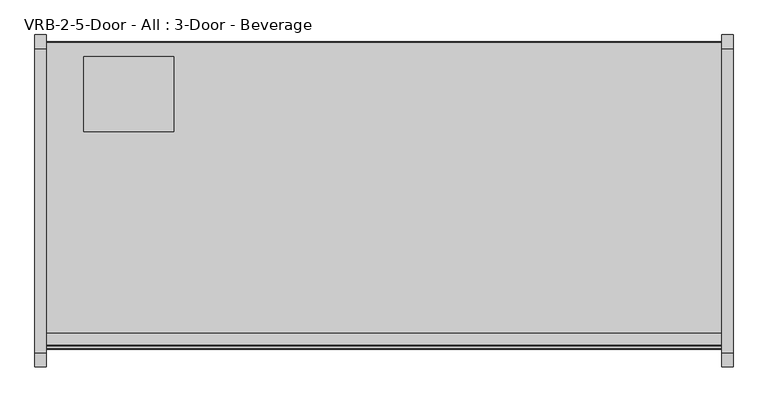
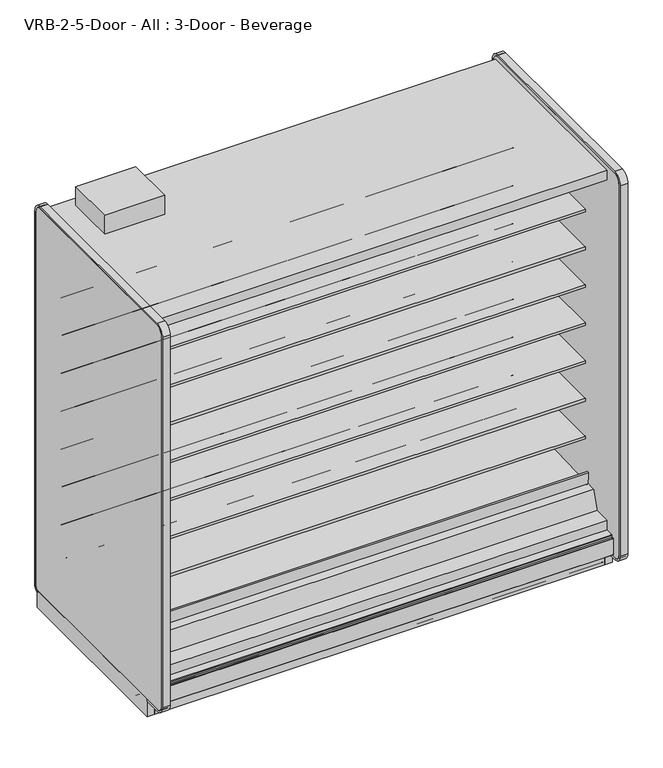
"""IFC4 building model written with IfcOpenShell, lengths in millimetres: proxy geometry, VRB-2-5-Door - All : 3-Door - Beverage."""

from ifc_helpers import new_model, si_unit, point, frame, frame_2d, origin, origin_with_axes, place, context, project, spatial, polyline, circle_curve, trimmed, segment, composite_curve, outline, extrude, source, transform, mapped, element, save
from ifc_brep_helpers import plane_surface, cylinder_surface, revolved_surface, advanced_brep


def vrb_2_5_door_all_3_door_beverage_5a8f1939(model_context):
    return source(origin(), model_context, "Body", "SolidModel", [
        extrude(outline(polyline([(2286.0, -1294.7870385), (2286.0, -1310.6620385), (0.0, -1310.6620385), (0.0, -1294.7870385), (2286.0, -1294.7870385)])), origin_with_axes(), (0.0, 0.0, 1.0), 104.775),
        extrude(outline(composite_curve([segment(polyline([(-454.6049477, 587.0133455), (-454.6049477, 512.2441036), (-474.1172272, 511.9123192)]), True, "CONTINUOUS"), segment(trimmed(circle_curve(frame_2d((-474.5490633, 537.308648)), 25.4), [point((-474.1172272, 511.9123192))], [point((-490.5264195, 517.5631653))], False, "CARTESIAN"), True, "CONTINUOUS"), segment(polyline([(-490.5264195, 517.5631653), (-508.3784807, 532.0084308)]), True, "CONTINUOUS"), segment(trimmed(circle_curve(frame_2d((-548.3218713, 482.6447241)), 63.5), [point((-508.3784807, 532.0084308))], [point((-540.4239901, 545.651656))], True, "CARTESIAN"), True, "CONTINUOUS"), segment(polyline([(-540.4239901, 545.651656), (-881.8726577, 569.3487934), (-883.3614342, 572.7893455), (-1140.4049477, 572.7893455), (-1140.4049477, 587.0133455), (-454.6049477, 587.0133455)]), True, "CONTINUOUS")], self_intersect=False)), frame((0.0, 0.0, 0.0), z_axis=(1.0, 0.0, 0.0), x_axis=(0.0, 1.0, 0.0)), (0.0, 0.0, 1.0), 2286.0),
        extrude(outline(composite_curve([segment(polyline([(-454.6049477, 790.2133624), (-454.6049477, 715.4441204), (-474.1172272, 715.112336)]), True, "CONTINUOUS"), segment(trimmed(circle_curve(frame_2d((-474.5490633, 740.5086648)), 25.4), [point((-474.1172272, 715.112336))], [point((-490.5264195, 720.7631821))], False, "CARTESIAN"), True, "CONTINUOUS"), segment(polyline([(-490.5264195, 720.7631821), (-508.3784807, 735.2084477)]), True, "CONTINUOUS"), segment(trimmed(circle_curve(frame_2d((-548.3218713, 685.8447409)), 63.5), [point((-508.3784807, 735.2084477))], [point((-540.4239901, 748.8516729))], True, "CARTESIAN"), True, "CONTINUOUS"), segment(polyline([(-540.4239901, 748.8516729), (-881.8726577, 772.5488103), (-883.3614342, 775.9893624), (-1140.4049477, 775.9893624), (-1140.4049477, 790.2133624), (-454.6049477, 790.2133624)]), True, "CONTINUOUS")], self_intersect=False)), frame((0.0, 0.0, 0.0), z_axis=(1.0, 0.0, 0.0), x_axis=(0.0, 1.0, 0.0)), (0.0, 0.0, 1.0), 2286.0),
        extrude(outline(composite_curve([segment(polyline([(-454.6049477, 993.4133793), (-454.6049477, 918.6441373), (-474.1172272, 918.3123529)]), True, "CONTINUOUS"), segment(trimmed(circle_curve(frame_2d((-474.5490633, 943.7086817)), 25.4), [point((-474.1172272, 918.3123529))], [point((-490.5264195, 923.963199))], False, "CARTESIAN"), True, "CONTINUOUS"), segment(polyline([(-490.5264195, 923.963199), (-508.3784807, 938.4084646)]), True, "CONTINUOUS"), segment(trimmed(circle_curve(frame_2d((-548.3218713, 889.0447578)), 63.5), [point((-508.3784807, 938.4084646))], [point((-540.4239901, 952.0516897))], True, "CARTESIAN"), True, "CONTINUOUS"), segment(polyline([(-540.4239901, 952.0516897), (-881.8726577, 975.7488272), (-883.3614342, 979.1893793), (-1140.4049477, 979.1893793), (-1140.4049477, 993.4133793), (-454.6049477, 993.4133793)]), True, "CONTINUOUS")], self_intersect=False)), frame((0.0, 0.0, 0.0), z_axis=(1.0, 0.0, 0.0), x_axis=(0.0, 1.0, 0.0)), (0.0, 0.0, 1.0), 2286.0),
        extrude(outline(composite_curve([segment(polyline([(-454.6049477, 1196.6133961), (-454.6049477, 1121.8441542), (-474.1172272, 1121.5123698)]), True, "CONTINUOUS"), segment(trimmed(circle_curve(frame_2d((-474.5490633, 1146.9086986)), 25.4), [point((-474.1172272, 1121.5123698))], [point((-490.5264195, 1127.1632159))], False, "CARTESIAN"), True, "CONTINUOUS"), segment(polyline([(-490.5264195, 1127.1632159), (-508.3784807, 1141.6084814)]), True, "CONTINUOUS"), segment(trimmed(circle_curve(frame_2d((-548.3218713, 1092.2447747)), 63.5), [point((-508.3784807, 1141.6084814))], [point((-540.4239901, 1155.2517066))], True, "CARTESIAN"), True, "CONTINUOUS"), segment(polyline([(-540.4239901, 1155.2517066), (-881.8726577, 1178.948844), (-883.3614342, 1182.3893961), (-1140.4049477, 1182.3893961), (-1140.4049477, 1196.6133961), (-454.6049477, 1196.6133961)]), True, "CONTINUOUS")], self_intersect=False)), frame((0.0, 0.0, 0.0), z_axis=(1.0, 0.0, 0.0), x_axis=(0.0, 1.0, 0.0)), (0.0, 0.0, 1.0), 2286.0),
        extrude(outline(composite_curve([segment(polyline([(-454.6049477, 1399.813413), (-454.6049477, 1325.044171), (-474.1172272, 1324.7123866)]), True, "CONTINUOUS"), segment(trimmed(circle_curve(frame_2d((-474.5490633, 1350.1087155)), 25.4), [point((-474.1172272, 1324.7123866))], [point((-490.5264195, 1330.3632328))], False, "CARTESIAN"), True, "CONTINUOUS"), segment(polyline([(-490.5264195, 1330.3632328), (-508.3784807, 1344.8084983)]), True, "CONTINUOUS"), segment(trimmed(circle_curve(frame_2d((-548.3218713, 1295.4447915)), 63.5), [point((-508.3784807, 1344.8084983))], [point((-540.4239901, 1358.4517235))], True, "CARTESIAN"), True, "CONTINUOUS"), segment(polyline([(-540.4239901, 1358.4517235), (-881.8726577, 1382.1488609), (-883.3614342, 1385.589413), (-1140.4049477, 1385.589413), (-1140.4049477, 1399.813413), (-454.6049477, 1399.813413)]), True, "CONTINUOUS")], self_intersect=False)), frame((0.0, 0.0, 0.0), z_axis=(1.0, 0.0, 0.0), x_axis=(0.0, 1.0, 0.0)), (0.0, 0.0, 1.0), 2286.0),
        extrude(outline(composite_curve([segment(polyline([(-454.6049477, 1603.0134299), (-454.6049477, 1528.2441879), (-474.1172272, 1527.9124035)]), True, "CONTINUOUS"), segment(trimmed(circle_curve(frame_2d((-474.5490633, 1553.3087323)), 25.4), [point((-474.1172272, 1527.9124035))], [point((-490.5264195, 1533.5632496))], False, "CARTESIAN"), True, "CONTINUOUS"), segment(polyline([(-490.5264195, 1533.5632496), (-508.3784807, 1548.0085152)]), True, "CONTINUOUS"), segment(trimmed(circle_curve(frame_2d((-548.3218713, 1498.6448084)), 63.5), [point((-508.3784807, 1548.0085152))], [point((-540.4239901, 1561.6517403))], True, "CARTESIAN"), True, "CONTINUOUS"), segment(polyline([(-540.4239901, 1561.6517403), (-881.8726577, 1585.3488778), (-883.3614342, 1588.7894299), (-1140.4049477, 1588.7894299), (-1140.4049477, 1603.0134299), (-454.6049477, 1603.0134299)]), True, "CONTINUOUS")], self_intersect=False)), frame((0.0, 0.0, 0.0), z_axis=(1.0, 0.0, 0.0), x_axis=(0.0, 1.0, 0.0)), (0.0, 0.0, 1.0), 2286.0),
        advanced_brep(
        [(2286.0, -348.8529385, 2.3876), (2286.0, -348.8529385, 104.775), (2286.0, -1148.1782385, 104.775), (2286.0, -1148.1782385, 24.892), (2286.0, -1148.1782385, 2.3876), (2286.0, -1145.7906385, 0.0), (2286.0, -1106.3866533, 0.0), (2286.0, -1106.3866533, 26.6446), (2286.0, -1091.8070533, 26.6446), (2286.0, -1085.4570533, 32.9946), (2286.0, -1085.4570533, 49.4411), (2286.0, -962.5804385, 49.4411), (2286.0, -941.6254385, 49.4411), (2286.0, -692.7054385, 49.4411), (2286.0, -671.7504385, 49.4411), (2286.0, -549.8304385, 49.4411), (2286.0, -528.8754385, 49.4411), (2286.0, -405.9988237, 49.4411), (2286.0, -405.9988237, 32.9946), (2286.0, -399.6488237, 26.6446), (2286.0, -385.8820237, 26.6446), (2286.0, -385.8820237, 0.0), (2286.0, -351.2405385, 0.0), (0.0, -348.8529385, 2.3876), (0.0, -351.2405385, 0.0), (0.0, -385.8820237, 0.0), (0.0, -385.8820237, 26.6446), (0.0, -399.6488237, 26.6446), (0.0, -405.9988237, 32.9946), (0.0, -405.9988237, 49.4411), (0.0, -528.8754385, 49.4411), (0.0, -549.8304385, 49.4581125), (0.0, -671.7504385, 49.4411), (0.0, -692.7054385, 49.4581125), (0.0, -941.6254385, 49.4411), (0.0, -962.5804385, 49.4581125), (0.0, -1085.4570533, 49.4411), (0.0, -1085.4570533, 32.9946), (0.0, -1091.8070533, 26.6446), (0.0, -1106.3866533, 26.6446), (0.0, -1106.3866533, 0.0), (0.0, -1145.7906385, 0.0), (0.0, -1148.1782385, 2.3876), (0.0, -1148.1782385, 24.892), (0.0, -1148.1782385, 104.775), (0.0, -348.8529385, 104.775)],
        [
            (0, 1),
            (1, 2),
            (2, 3),
            (3, 4),
            (4, 5, circle_curve(frame((2286.0, -1145.7906385, 2.3876), z_axis=(1.0, 0.0, 0.0), x_axis=(0.0, 1.0, 0.0)), 2.3876)),
            (5, 6),
            (6, 7),
            (7, 8),
            (8, 9, circle_curve(frame((2286.0, -1091.8070533, 32.9946), z_axis=(1.0, 0.0, 0.0), x_axis=(0.0, 1.0, 0.0)), 6.35)),
            (9, 10),
            (10, 11),
            (11, 12),
            (12, 13),
            (13, 14),
            (14, 15),
            (15, 16),
            (16, 17),
            (17, 18),
            (18, 19, circle_curve(frame((2286.0, -399.6488237, 32.9946), z_axis=(1.0, 0.0, 0.0), x_axis=(0.0, 1.0, 0.0)), 6.35)),
            (19, 20),
            (20, 21),
            (21, 22),
            (22, 0, circle_curve(frame((2286.0, -351.2405385, 2.3876), z_axis=(1.0, 0.0, 0.0), x_axis=(0.0, 1.0, 0.0)), 2.3876)),
            (23, 24, circle_curve(frame((0.0, -351.2405385, 2.3876), z_axis=(-1.0, 0.0, 0.0), x_axis=(0.0, 1.0, 0.0)), 2.3876)),
            (24, 25),
            (25, 26),
            (26, 27),
            (27, 28, circle_curve(frame((0.0, -399.6488237, 32.9946), z_axis=(-1.0, 0.0, 0.0), x_axis=(0.0, 1.0, 0.0)), 6.35)),
            (28, 29),
            (29, 30),
            (30, 31),
            (31, 32),
            (32, 33),
            (33, 34),
            (34, 35),
            (35, 36),
            (36, 37),
            (37, 38, circle_curve(frame((0.0, -1091.8070533, 32.9946), z_axis=(-1.0, 0.0, 0.0), x_axis=(0.0, 1.0, 0.0)), 6.35)),
            (38, 39),
            (39, 40),
            (40, 41),
            (41, 42, circle_curve(frame((0.0, -1145.7906385, 2.3876), z_axis=(-1.0, 0.0, 0.0), x_axis=(0.0, 1.0, 0.0)), 2.3876)),
            (42, 43),
            (43, 44),
            (44, 45),
            (45, 23),
            (0, 23),
            (45, 1),
            (44, 2),
            (43, 3),
            (42, 4),
            (41, 5),
            (40, 6),
            (39, 7),
            (38, 8),
            (37, 9),
            (36, 10),
            (35, 11),
            (34, 12),
            (33, 13),
            (32, 14),
            (31, 15),
            (30, 16),
            (29, 17),
            (28, 18),
            (27, 19),
            (26, 20),
            (25, 21),
            (24, 22),
        ],
        [
            plane_surface(frame((2286.0, -348.8529385, 104.775), z_axis=(1.0, 0.0, 0.0), x_axis=(0.0, 0.0, 1.0))),
            plane_surface(frame((0.0, -348.8529385, 104.775), z_axis=(-1.0, 0.0, 0.0), x_axis=(0.0, 0.0, -1.0))),
            plane_surface(frame((2286.0, -348.8529385, 2.3876), z_axis=(0.0, 1.0, 0.0), x_axis=(-1.0, 0.0, 0.0))),
            plane_surface(frame((2286.0, -348.8529385, 104.775), z_axis=(0.0, 0.0, 1.0), x_axis=(-1.0, 0.0, 0.0))),
            plane_surface(frame((2286.0, -1148.1782385, 104.775), z_axis=(0.0, -1.0, 0.0), x_axis=(-1.0, 0.0, 0.0))),
            plane_surface(frame((2286.0, -1148.1782385, 24.892), z_axis=(0.0, -1.0, 0.0), x_axis=(-1.0, 0.0, 0.0))),
            cylinder_surface(frame((0.0, -1145.7906385, 2.3876), z_axis=(1.0, 0.0, 0.0), x_axis=(0.0, 1.0, 0.0)), 2.3876),
            plane_surface(frame((2286.0, -1145.7906385, 0.0), z_axis=(0.0, 0.0, -1.0), x_axis=(-1.0, 0.0, 0.0))),
            plane_surface(frame((2286.0, -1106.3866533, 0.0), z_axis=(0.0, 1.0, 0.0), x_axis=(-1.0, 0.0, 0.0))),
            plane_surface(frame((2286.0, -1106.3866533, 26.6446), z_axis=(0.0, 0.0, -1.0), x_axis=(-1.0, 0.0, 0.0))),
            cylinder_surface(frame((0.0, -1091.8070533, 32.9946), z_axis=(1.0, 0.0, 0.0), x_axis=(0.0, 1.0, 0.0)), 6.35),
            plane_surface(frame((2286.0, -1085.4570533, 32.9946), z_axis=(0.0, 1.0, 0.0), x_axis=(-1.0, 0.0, 0.0))),
            plane_surface(frame((2286.0, -1085.4570533, 49.4411), z_axis=(0.0, 0.0, -1.0), x_axis=(-1.0, 0.0, 0.0))),
            plane_surface(frame((2286.0, -962.5804385, 49.4581125), z_axis=(0.0, -0.0008118606294216209, -0.9999996704411049), x_axis=(-1.0, 0.0, 0.0))),
            plane_surface(frame((2286.0, -941.6254385, 49.4411), z_axis=(0.0, 0.0, -1.0), x_axis=(-1.0, 0.0, 0.0))),
            plane_surface(frame((2286.0, -692.7054385, 49.4581125), z_axis=(0.0, -0.0008118606294217887, -0.9999996704411049), x_axis=(-1.0, 0.0, 0.0))),
            plane_surface(frame((2286.0, -671.7504385, 49.4411), z_axis=(0.0, 0.0, -1.0), x_axis=(-1.0, 0.0, 0.0))),
            plane_surface(frame((2286.0, -549.8304385, 49.4581125), z_axis=(0.0, -0.0008118606294217887, -0.9999996704411049), x_axis=(-1.0, 0.0, 0.0))),
            plane_surface(frame((2286.0, -528.8754385, 49.4411), z_axis=(0.0, 0.0, -1.0), x_axis=(-1.0, 0.0, 0.0))),
            plane_surface(frame((2286.0, -405.9988237, 49.4411), z_axis=(0.0, -1.0, 0.0), x_axis=(-1.0, 0.0, 0.0))),
            cylinder_surface(frame((0.0, -399.6488237, 32.9946), z_axis=(1.0, 0.0, 0.0), x_axis=(0.0, 1.0, 0.0)), 6.35),
            plane_surface(frame((2286.0, -399.6488237, 26.6446), z_axis=(0.0, 0.0, -1.0), x_axis=(-1.0, 0.0, 0.0))),
            plane_surface(frame((2286.0, -385.8820237, 26.6446), z_axis=(0.0, -1.0, 0.0), x_axis=(-1.0, 0.0, 0.0))),
            plane_surface(frame((2286.0, -385.8820237, 0.0), z_axis=(0.0, 0.0, -1.0), x_axis=(-1.0, 0.0, 0.0))),
            cylinder_surface(frame((0.0, -351.2405385, 2.3876), z_axis=(1.0, 0.0, 0.0), x_axis=(0.0, 1.0, 0.0)), 2.3876),
        ],
        [
            (0, [[1, 2, 3, 4, 5, 6, 7, 8, 9, 10, 11, 12, 13, 14, 15, 16, 17, 18, 19, 20, 21, 22, 23]]),
            (1, [[24, 25, 26, 27, 28, 29, 30, 31, 32, 33, 34, 35, 36, 37, 38, 39, 40, 41, 42, 43, 44, 45, 46]]),
            (2, [[-1, 47, -46, 48]]),
            (3, [[-2, -48, -45, 49]]),
            (4, [[-3, -49, -44, 50]]),
            (5, [[-4, -50, -43, 51]]),
            (6, [[-5, -51, -42, 52]]),
            (7, [[-6, -52, -41, 53]]),
            (8, [[-7, -53, -40, 54]]),
            (9, [[-8, -54, -39, 55]]),
            (10, [[-9, -55, -38, 56]]),
            (11, [[-10, -56, -37, 57]]),
            (12, [[-11, -57, -36, 58]]),
            (13, [[-12, -58, -35, 59]]),
            (14, [[-13, -59, -34, 60]]),
            (15, [[-14, -60, -33, 61]]),
            (16, [[-15, -61, -32, 62]]),
            (17, [[-16, -62, -31, 63]]),
            (18, [[-17, -63, -30, 64]]),
            (19, [[-18, -64, -29, 65]]),
            (20, [[-19, -65, -28, 66]]),
            (21, [[-20, -66, -27, 67]]),
            (22, [[-21, -67, -26, 68]]),
            (23, [[-22, -68, -25, 69]]),
            (24, [[-23, -69, -24, -47]]),
        ],
    ),
        extrude(outline(composite_curve([segment(polyline([(-454.6049477, 1806.2134975), (-454.6049477, 1731.4442556), (-474.1172272, 1731.1124712)]), True, "CONTINUOUS"), segment(trimmed(circle_curve(frame_2d((-474.5490633, 1756.5088)), 25.4), [point((-474.1172272, 1731.1124712))], [point((-490.5264195, 1736.7633173))], False, "CARTESIAN"), True, "CONTINUOUS"), segment(polyline([(-490.5264195, 1736.7633173), (-508.3784807, 1751.2085828)]), True, "CONTINUOUS"), segment(trimmed(circle_curve(frame_2d((-548.3218713, 1701.8448761)), 63.5), [point((-508.3784807, 1751.2085828))], [point((-540.4239901, 1764.851808))], True, "CARTESIAN"), True, "CONTINUOUS"), segment(polyline([(-540.4239901, 1764.851808), (-881.8726577, 1788.5489454), (-883.3614342, 1791.9894975), (-1140.4049477, 1791.9894975), (-1140.4049477, 1806.2134975), (-454.6049477, 1806.2134975)]), True, "CONTINUOUS")], self_intersect=False)), frame((0.0, 0.0, 0.0), z_axis=(1.0, 0.0, 0.0), x_axis=(0.0, 1.0, 0.0)), (0.0, 0.0, 1.0), 2286.0),
        advanced_brep(
        [(2286.0, -348.8529385, 104.775), (2286.0, -348.8529385, 2130.425), (2286.0, -1332.4576552, 2130.425), (2286.0, -1332.4576552, 2080.6916932), (2286.0, -403.803446, 2080.6916932), (2286.0, -403.803446, 192.3002762), (2286.0, -1241.5918606, 158.2443144), (2286.0, -1332.4576552, 168.8736205), (2286.0, -1332.4576552, 201.2766923), (2286.0, -1373.5961083, 201.2766923), (2286.0, -1376.2595244, 197.8095897), (2286.0, -1376.2595244, 188.9614574), (2286.0, -1385.0649885, 188.9614574), (2286.0, -1386.6397885, 187.3866574), (2286.0, -1386.6397885, 185.7356574), (2286.0, -1387.5033885, 185.7356574), (2286.0, -1387.5033885, 101.7483517), (2286.0, -1384.3560744, 101.0506089), (2286.0, -1382.6193623, 104.775), (0.0, -348.8529385, 104.775), (0.0, -1382.6193623, 104.775), (0.0, -1384.3560744, 101.0506089), (0.0, -1387.5033885, 101.7483517), (0.0, -1387.5033885, 185.7356574), (0.0, -1386.6397885, 185.7356574), (0.0, -1386.6397885, 187.3866574), (0.0, -1385.0649885, 188.9614574), (0.0, -1376.2595244, 188.9614574), (0.0, -1376.2595244, 197.8095897), (0.0, -1373.5961083, 201.2766923), (0.0, -1332.4576552, 201.2766923), (0.0, -1332.4576552, 168.8736205), (0.0, -1241.5918606, 158.2443144), (0.0, -403.803446, 192.3002762), (0.0, -403.803446, 2080.6916932), (0.0, -1332.4576552, 2080.6916932), (0.0, -1332.4576552, 2130.425), (0.0, -348.8529385, 2130.425), (2184.4, -348.8529385, 184.15), (2184.4, -348.8529385, 285.75), (2184.4, -399.3710689, 184.15), (2184.4, -399.3710689, 285.75)],
        [
            (0, 1),
            (1, 2),
            (2, 3),
            (3, 4),
            (4, 5),
            (5, 6),
            (6, 7),
            (7, 8),
            (8, 9),
            (9, 10, circle_curve(frame((2286.0, -1372.1757389, 197.4290047), z_axis=(1.0, 0.0, 0.0), x_axis=(0.0, 1.0, 0.0)), 4.1014814)),
            (10, 11),
            (11, 12),
            (12, 13, circle_curve(frame((2286.0, -1385.0649885, 187.3866574), z_axis=(1.0, 0.0, 0.0), x_axis=(0.0, 1.0, 0.0)), 1.5748)),
            (13, 14),
            (14, 15),
            (15, 16),
            (16, 17, circle_curve(frame((2286.0, -1385.8523885, 101.7483517), z_axis=(1.0, 0.0, 0.0), x_axis=(0.0, 1.0, 0.0)), 1.651)),
            (17, 18),
            (18, 0),
            (19, 20),
            (20, 21),
            (21, 22, circle_curve(frame((0.0, -1385.8523885, 101.7483517), z_axis=(-1.0, 0.0, 0.0), x_axis=(0.0, 1.0, 0.0)), 1.651)),
            (22, 23),
            (23, 24),
            (24, 25),
            (25, 26, circle_curve(frame((0.0, -1385.0649885, 187.3866574), z_axis=(-1.0, 0.0, 0.0), x_axis=(0.0, 1.0, 0.0)), 1.5748)),
            (26, 27),
            (27, 28),
            (28, 29, circle_curve(frame((0.0, -1372.1757389, 197.4290047), z_axis=(-1.0, 0.0, 0.0), x_axis=(0.0, 1.0, 0.0)), 4.1014814)),
            (29, 30),
            (30, 31),
            (31, 32),
            (32, 33),
            (33, 34),
            (34, 35),
            (35, 36),
            (36, 37),
            (37, 19),
            (0, 19),
            (37, 1),
            (38, 39, circle_curve(frame((2184.4, -348.8529385, 234.95), z_axis=(0.0, -1.0, 0.0), x_axis=(0.0, 0.0, 1.0)), 50.8)),
            (39, 38, circle_curve(frame((2184.4, -348.8529385, 234.95), z_axis=(0.0, -1.0, 0.0), x_axis=(0.0, 0.0, 1.0)), 50.8)),
            (18, 20),
            (36, 2),
            (35, 3),
            (34, 4),
            (33, 5),
            (32, 6),
            (31, 7),
            (30, 8),
            (29, 9),
            (28, 10),
            (27, 11),
            (26, 12),
            (25, 13),
            (24, 14),
            (23, 15),
            (22, 16),
            (21, 17),
            (40, 41, circle_curve(frame((2184.4, -399.3710689, 234.95), z_axis=(0.0, 1.0, 0.0), x_axis=(0.0, 0.0, 1.0)), 50.8)),
            (41, 40, circle_curve(frame((2184.4, -399.3710689, 234.95), z_axis=(0.0, 1.0, 0.0), x_axis=(0.0, 0.0, 1.0)), 50.8)),
            (41, 39),
            (38, 40),
        ],
        [
            plane_surface(frame((2286.0, -348.8529385, 2130.425), z_axis=(1.0, 0.0, 0.0), x_axis=(0.0, 0.0, 1.0))),
            plane_surface(frame((0.0, -348.8529385, 2130.425), z_axis=(-1.0, 0.0, 0.0), x_axis=(0.0, 0.0, -1.0))),
            plane_surface(frame((2286.0, -348.8529385, 104.775), z_axis=(0.0, 1.0, 0.0), x_axis=(-1.0, 0.0, 0.0))),
            plane_surface(frame((2286.0, -1382.6193623, 104.775), z_axis=(0.0, 0.0, -1.0), x_axis=(-1.0, 0.0, 0.0))),
            plane_surface(frame((2286.0, -348.8529385, 2130.425), z_axis=(0.0, 0.0, 1.0), x_axis=(-1.0, 0.0, 0.0))),
            plane_surface(frame((2286.0, -1332.4576552, 2130.425), z_axis=(0.0, -1.0, 0.0), x_axis=(-1.0, 0.0, 0.0))),
            plane_surface(frame((2286.0, -1332.4576552, 2080.6916932), z_axis=(0.0, 0.0, -1.0), x_axis=(-1.0, 0.0, 0.0))),
            plane_surface(frame((2286.0, -403.803446, 2080.6916932), z_axis=(0.0, -1.0, 0.0), x_axis=(-1.0, 0.0, 0.0))),
            plane_surface(frame((2286.0, -403.803446, 192.3002762), z_axis=(0.0, -0.04061629258568473, 0.9991748179255691), x_axis=(-1.0, 0.0, 0.0))),
            plane_surface(frame((2286.0, -1241.5918606, 158.2443144), z_axis=(0.0, 0.11618584341211871, 0.9932274914593407), x_axis=(-1.0, 0.0, 0.0))),
            plane_surface(frame((2286.0, -1332.4576552, 168.8736205), z_axis=(0.0, 1.0, 0.0), x_axis=(-1.0, 0.0, 0.0))),
            plane_surface(frame((2286.0, -1332.4576552, 201.2766923), z_axis=(0.0, 0.0, 1.0), x_axis=(-1.0, 0.0, 0.0))),
            cylinder_surface(frame((0.0, -1372.1757389, 197.4290047), z_axis=(1.0, 0.0, 0.0), x_axis=(0.0, 1.0, 0.0)), 4.1014814),
            plane_surface(frame((2286.0, -1376.2595244, 197.8095897), z_axis=(0.0, -1.0, 0.0), x_axis=(-1.0, 0.0, 0.0))),
            plane_surface(frame((2286.0, -1376.2595244, 188.9614574), z_axis=(0.0, 0.0, 1.0), x_axis=(-1.0, 0.0, 0.0))),
            cylinder_surface(frame((0.0, -1385.0649885, 187.3866574), z_axis=(1.0, 0.0, 0.0), x_axis=(0.0, 1.0, 0.0)), 1.5748),
            plane_surface(frame((2286.0, -1386.6397885, 187.3866574), z_axis=(0.0, -1.0, 0.0), x_axis=(-1.0, 0.0, 0.0))),
            plane_surface(frame((2286.0, -1386.6397885, 185.7356574), z_axis=(0.0, 0.0, 1.0), x_axis=(-1.0, 0.0, 0.0))),
            plane_surface(frame((2286.0, -1387.5033885, 185.7356574), z_axis=(0.0, -1.0, 0.0), x_axis=(-1.0, 0.0, 0.0))),
            cylinder_surface(frame((0.0, -1385.8523885, 101.7483517), z_axis=(1.0, 0.0, 0.0), x_axis=(0.0, 1.0, 0.0)), 1.651),
            plane_surface(frame((2286.0, -1384.3560744, 101.0506089), z_axis=(0.0, 0.9063077870347213, -0.42261826174483563), x_axis=(-1.0, 0.0, 0.0))),
            plane_surface(frame((2184.4, -399.3710689, 285.75), z_axis=(0.0, 1.0, 0.0), x_axis=(-1.0, 0.0, 0.0))),
            revolved_surface(polyline([(2184.4, -399.3710689, 285.75), (2184.4, -348.8529385, 285.75)]), (2184.4, -348.8529385, 234.95), (0.0, -1.0, 0.0)),
        ],
        [
            (0, [[1, 2, 3, 4, 5, 6, 7, 8, 9, 10, 11, 12, 13, 14, 15, 16, 17, 18, 19]]),
            (1, [[20, 21, 22, 23, 24, 25, 26, 27, 28, 29, 30, 31, 32, 33, 34, 35, 36, 37, 38]]),
            (2, [[-1, 39, -38, 40], [41, 42]]),
            (3, [[-19, 43, -20, -39]]),
            (4, [[-2, -40, -37, 44]]),
            (5, [[-3, -44, -36, 45]]),
            (6, [[-4, -45, -35, 46]]),
            (7, [[-5, -46, -34, 47]]),
            (8, [[-6, -47, -33, 48]]),
            (9, [[-7, -48, -32, 49]]),
            (10, [[-8, -49, -31, 50]]),
            (11, [[-9, -50, -30, 51]]),
            (12, [[-10, -51, -29, 52]]),
            (13, [[-11, -52, -28, 53]]),
            (14, [[-12, -53, -27, 54]]),
            (15, [[-13, -54, -26, 55]]),
            (16, [[-14, -55, -25, 56]]),
            (17, [[-15, -56, -24, 57]]),
            (18, [[-16, -57, -23, 58]]),
            (19, [[-17, -58, -22, 59]]),
            (20, [[-18, -59, -21, -43]]),
            (21, [[60, 61]]),
            (22, [[-61, 62, -41, 63]]),
            (22, [[-60, -63, -42, -62]]),
        ],
    ),
        extrude(outline(composite_curve([segment(polyline([(-538.5117544, 357.6712667), (-1154.4031001, 336.1426369)]), True, "CONTINUOUS"), segment(trimmed(circle_curve(frame_2d((-1154.7855355, 347.0833549)), 10.9474), [point((-1154.4031001, 336.1426369))], [point((-1165.7262535, 346.7009195))], False, "CARTESIAN"), True, "CONTINUOUS"), segment(polyline([(-1165.7262535, 346.7009195), (-1167.8700214, 408.029863)]), True, "CONTINUOUS"), segment(trimmed(circle_curve(frame_2d((-1163.9861934, 408.1656231)), 3.8862), [point((-1167.8700214, 408.029863))], [point((-1160.1023655, 408.3013832))], False, "CARTESIAN"), True, "CONTINUOUS"), segment(polyline([(-1160.1023655, 408.3013832), (-1157.9585975, 346.9724398)]), True, "CONTINUOUS"), segment(trimmed(circle_curve(frame_2d((-1154.7855355, 347.0833549)), 3.175), [point((-1157.9585975, 346.9724398))], [point((-1154.6746203, 343.9102928))], True, "CARTESIAN"), True, "CONTINUOUS"), segment(polyline([(-1154.6746203, 343.9102928), (-531.7333421, 365.6853547)]), True, "CONTINUOUS"), segment(trimmed(circle_curve(frame_2d((-531.5939074, 361.7960469)), 3.8918064), [point((-531.7333421, 365.6853547))], [point((-531.1633305, 357.9281326))], False, "CARTESIAN"), True, "CONTINUOUS"), segment(polyline([(-531.1633305, 357.9281326), (-538.5117544, 357.6712667)]), True, "CONTINUOUS")], self_intersect=False)), frame((0.0, 0.0, 0.0), z_axis=(1.0, 0.0, 0.0), x_axis=(0.0, 1.0, 0.0)), (0.0, 0.0, 1.0), 2286.0),
        extrude(outline(polyline([(-403.803446, 191.9712577), (-1241.5918606, 158.2443144), (-1332.4576552, 168.8736205), (-1332.4576552, 252.8737805), (-1245.6201539, 252.8737805), (-1214.4845686, 346.8534577), (-1168.9799477, 348.4440826), (-1168.9799477, 335.7440826), (-526.1387503, 358.2147509), (-526.1387503, 370.9147509), (-467.1371555, 372.9771658), (-467.1371555, 377.4368561), (-454.6049477, 377.4368561), (-454.6049477, 268.1711844), (-403.803446, 268.1711844), (-403.803446, 191.9712577)])), frame((0.0, 0.0, 0.0), z_axis=(1.0, 0.0, 0.0), x_axis=(0.0, 1.0, 0.0)), (0.0, 0.0, 1.0), 2286.0),
        extrude(outline(polyline([(-403.803446, 268.1711844), (-454.6049477, 268.1711844), (-454.6049477, 2053.8368561), (-1209.6263466, 2053.8368561), (-1283.9191918, 2080.6916932), (-403.803446, 2080.6916932), (-403.803446, 268.1711844)])), frame((0.0, 0.0, 0.0), z_axis=(1.0, 0.0, 0.0), x_axis=(0.0, 1.0, 0.0)), (0.0, 0.0, 1.0), 2286.0),
        extrude(outline(composite_curve([segment(trimmed(circle_curve(frame_2d((1143.0, -1072.7529385)), 38.1), [point((1104.9, -1072.7529385))], [point((1181.1, -1072.7529385))], False, "CARTESIAN"), True, "CONTINUOUS"), segment(trimmed(circle_curve(frame_2d((1143.0, -1072.7529385)), 38.1), [point((1181.1, -1072.7529385))], [point((1104.9, -1072.7529385))], False, "CARTESIAN"), True, "CONTINUOUS")], self_intersect=False)), frame((0.0, 0.0, -5.8513653), z_axis=(0.0, 0.0, 1.0), x_axis=(1.0, 0.0, 0.0)), (0.0, 0.0, 1.0), 110.6263653),
        extrude(outline(composite_curve([segment(trimmed(circle_curve(frame_2d((2039.2604036, -1069.5779385)), 9.525), [point((2029.7354036, -1069.5779385))], [point((2048.7854036, -1069.5779385))], False, "CARTESIAN"), True, "CONTINUOUS"), segment(trimmed(circle_curve(frame_2d((2039.2604036, -1069.5779385)), 9.525), [point((2048.7854036, -1069.5779385))], [point((2029.7354036, -1069.5779385))], False, "CARTESIAN"), True, "CONTINUOUS")], self_intersect=False)), frame((0.0, 0.0, -5.8513653), z_axis=(0.0, 0.0, 1.0), x_axis=(1.0, 0.0, 0.0)), (0.0, 0.0, 1.0), 110.6263653),
        extrude(outline(composite_curve([segment(trimmed(circle_curve(frame_2d((2084.1868135, -1069.5779385)), 12.7), [point((2071.4868135, -1069.5779385))], [point((2096.8868135, -1069.5779385))], False, "CARTESIAN"), True, "CONTINUOUS"), segment(trimmed(circle_curve(frame_2d((2084.1868135, -1069.5779385)), 12.7), [point((2096.8868135, -1069.5779385))], [point((2071.4868135, -1069.5779385))], False, "CARTESIAN"), True, "CONTINUOUS")], self_intersect=False)), frame((0.0, 0.0, -5.8513653), z_axis=(0.0, 0.0, 1.0), x_axis=(1.0, 0.0, 0.0)), (0.0, 0.0, 1.0), 110.6263653),
        extrude(outline(polyline([(127.0, -650.8843385), (127.0, -396.8843385), (431.8, -396.8843385), (431.8, -650.8843385), (127.0, -650.8843385)])), frame((0.0, 0.0, 2130.425), z_axis=(0.0, 0.0, 1.0), x_axis=(1.0, 0.0, 0.0)), (0.0, 0.0, 1.0), 101.6),
        extrude(outline(polyline([(2286.0, -1310.6620385), (2286.0, -344.7571249), (2324.1, -344.7571249), (2324.1, -1310.6620385), (2286.0, -1310.6620385)])), origin_with_axes(), (0.0, 0.0, 1.0), 92.075),
        extrude(outline(composite_curve([segment(trimmed(circle_curve(frame_2d((-1399.7779385, 130.2020486)), 38.1), [point((-1437.8779385, 130.2020486))], [point((-1399.7779385, 92.1020486))], True, "CARTESIAN"), True, "CONTINUOUS"), segment(polyline([(-1399.7779385, 92.1020486), (-1310.6620385, 92.1020486), (-1310.6620385, 82.5770486), (-1399.7779385, 82.5770486)]), True, "CONTINUOUS"), segment(trimmed(circle_curve(frame_2d((-1399.7779385, 130.2020486)), 47.625), [point((-1399.7779385, 82.5770486))], [point((-1447.4029385, 130.2020486))], False, "CARTESIAN"), True, "CONTINUOUS"), segment(polyline([(-1447.4029385, 130.2020486), (-1447.4029385, 2117.725)]), True, "CONTINUOUS"), segment(trimmed(circle_curve(frame_2d((-1399.7779385, 2117.725)), 47.625), [point((-1447.4029385, 2117.725))], [point((-1399.7779385, 2165.35))], False, "CARTESIAN"), True, "CONTINUOUS"), segment(polyline([(-1399.7779385, 2165.35), (-370.7667333, 2165.35)]), True, "CONTINUOUS"), segment(trimmed(circle_curve(frame_2d((-370.7667333, 2117.725)), 47.625), [point((-370.7667333, 2165.35))], [point((-323.1417333, 2117.725))], False, "CARTESIAN"), True, "CONTINUOUS"), segment(polyline([(-323.1417333, 2117.725), (-323.1417333, 104.8020486)]), True, "CONTINUOUS"), segment(trimmed(circle_curve(frame_2d((-345.3667333, 104.8020486)), 22.225), [point((-323.1417333, 104.8020486))], [point((-345.3667333, 82.5770486))], False, "CARTESIAN"), True, "CONTINUOUS"), segment(polyline([(-345.3667333, 82.5770486), (-348.8529385, 82.5770486), (-348.8529385, 92.1020486), (-345.3667333, 92.1020486)]), True, "CONTINUOUS"), segment(trimmed(circle_curve(frame_2d((-345.3667333, 104.8020486)), 12.7), [point((-345.3667333, 92.1020486))], [point((-332.6667333, 104.8020486))], True, "CARTESIAN"), True, "CONTINUOUS"), segment(polyline([(-332.6667333, 104.8020486), (-332.6667333, 2117.725)]), True, "CONTINUOUS"), segment(trimmed(circle_curve(frame_2d((-370.7667333, 2117.725)), 38.1), [point((-332.6667333, 2117.725))], [point((-370.7667333, 2155.825))], True, "CARTESIAN"), True, "CONTINUOUS"), segment(polyline([(-370.7667333, 2155.825), (-1399.7779385, 2155.825)]), True, "CONTINUOUS"), segment(trimmed(circle_curve(frame_2d((-1399.7779385, 2117.725)), 38.1), [point((-1399.7779385, 2155.825))], [point((-1437.8779385, 2117.725))], True, "CARTESIAN"), True, "CONTINUOUS"), segment(polyline([(-1437.8779385, 2117.725), (-1437.8779385, 130.2020486)]), True, "CONTINUOUS")], self_intersect=False)), frame((2286.0, 0.0, 0.0), z_axis=(1.0, 0.0, 0.0), x_axis=(0.0, 1.0, 0.0)), (0.0, 0.0, 1.0), 38.1),
        extrude(outline(composite_curve([segment(trimmed(circle_curve(frame_2d((-1399.7779385, 130.2020486)), 38.1), [point((-1437.8779385, 130.2020486))], [point((-1399.7779385, 92.1020486))], True, "CARTESIAN"), True, "CONTINUOUS"), segment(polyline([(-1399.7779385, 92.1020486), (-1310.6620385, 92.1020486), (-1310.6620385, 82.5770486), (-1399.7779385, 82.5770486)]), True, "CONTINUOUS"), segment(trimmed(circle_curve(frame_2d((-1399.7779385, 130.2020486)), 47.625), [point((-1399.7779385, 82.5770486))], [point((-1447.4029385, 130.2020486))], False, "CARTESIAN"), True, "CONTINUOUS"), segment(polyline([(-1447.4029385, 130.2020486), (-1447.4029385, 2117.725)]), True, "CONTINUOUS"), segment(trimmed(circle_curve(frame_2d((-1399.7779385, 2117.725)), 47.625), [point((-1447.4029385, 2117.725))], [point((-1399.7779385, 2165.35))], False, "CARTESIAN"), True, "CONTINUOUS"), segment(polyline([(-1399.7779385, 2165.35), (-370.7667333, 2165.35)]), True, "CONTINUOUS"), segment(trimmed(circle_curve(frame_2d((-370.7667333, 2117.725)), 47.625), [point((-370.7667333, 2165.35))], [point((-323.1417333, 2117.725))], False, "CARTESIAN"), True, "CONTINUOUS"), segment(polyline([(-323.1417333, 2117.725), (-323.1417333, 104.8020486)]), True, "CONTINUOUS"), segment(trimmed(circle_curve(frame_2d((-345.3667333, 104.8020486)), 22.225), [point((-323.1417333, 104.8020486))], [point((-345.3667333, 82.5770486))], False, "CARTESIAN"), True, "CONTINUOUS"), segment(polyline([(-345.3667333, 82.5770486), (-348.8529385, 82.5770486), (-348.8529385, 92.1020486), (-345.3667333, 92.1020486)]), True, "CONTINUOUS"), segment(trimmed(circle_curve(frame_2d((-345.3667333, 104.8020486)), 12.7), [point((-345.3667333, 92.1020486))], [point((-332.6667333, 104.8020486))], True, "CARTESIAN"), True, "CONTINUOUS"), segment(polyline([(-332.6667333, 104.8020486), (-332.6667333, 2117.725)]), True, "CONTINUOUS"), segment(trimmed(circle_curve(frame_2d((-370.7667333, 2117.725)), 38.1), [point((-332.6667333, 2117.725))], [point((-370.7667333, 2155.825))], True, "CARTESIAN"), True, "CONTINUOUS"), segment(polyline([(-370.7667333, 2155.825), (-1399.7779385, 2155.825)]), True, "CONTINUOUS"), segment(trimmed(circle_curve(frame_2d((-1399.7779385, 2117.725)), 38.1), [point((-1399.7779385, 2155.825))], [point((-1437.8779385, 2117.725))], True, "CARTESIAN"), True, "CONTINUOUS"), segment(polyline([(-1437.8779385, 2117.725), (-1437.8779385, 130.2020486)]), True, "CONTINUOUS")], self_intersect=False)), frame((-38.1, 0.0, 0.0), z_axis=(1.0, 0.0, 0.0), x_axis=(0.0, 1.0, 0.0)), (0.0, 0.0, 1.0), 38.1),
        extrude(outline(polyline([(0.0, -344.7571249), (0.0, -1310.6620385), (-38.1, -1310.6620385), (-38.1, -344.7571249), (0.0, -344.7571249)])), origin_with_axes(), (0.0, 0.0, 1.0), 92.075),
        extrude(outline(composite_curve([segment(polyline([(-1399.7779385, 2155.825), (-370.7667333, 2155.825)]), True, "CONTINUOUS"), segment(trimmed(circle_curve(frame_2d((-370.7667333, 2117.725)), 38.1), [point((-370.7667333, 2155.825))], [point((-332.6667333, 2117.725))], False, "CARTESIAN"), True, "CONTINUOUS"), segment(polyline([(-332.6667333, 2117.725), (-332.6667333, 104.8020486)]), True, "CONTINUOUS"), segment(trimmed(circle_curve(frame_2d((-345.3667333, 104.8020486)), 12.7), [point((-332.6667333, 104.8020486))], [point((-345.3667333, 92.1020486))], False, "CARTESIAN"), True, "CONTINUOUS"), segment(polyline([(-345.3667333, 92.1020486), (-1399.7779385, 92.1020486)]), True, "CONTINUOUS"), segment(trimmed(circle_curve(frame_2d((-1399.7779385, 130.2020486)), 38.1), [point((-1399.7779385, 92.1020486))], [point((-1437.8779385, 130.2020486))], False, "CARTESIAN"), True, "CONTINUOUS"), segment(polyline([(-1437.8779385, 130.2020486), (-1437.8779385, 2117.725)]), True, "CONTINUOUS"), segment(trimmed(circle_curve(frame_2d((-1399.7779385, 2117.725)), 38.1), [point((-1437.8779385, 2117.725))], [point((-1399.7779385, 2155.825))], False, "CARTESIAN"), True, "CONTINUOUS")], self_intersect=False)), frame((2286.0, 0.0, 0.0), z_axis=(1.0, 0.0, 0.0), x_axis=(0.0, 1.0, 0.0)), (0.0, 0.0, 1.0), 38.1),
        extrude(outline(composite_curve([segment(polyline([(-1399.7779385, 2155.825), (-370.7667333, 2155.825)]), True, "CONTINUOUS"), segment(trimmed(circle_curve(frame_2d((-370.7667333, 2117.725)), 38.1), [point((-370.7667333, 2155.825))], [point((-332.6667333, 2117.725))], False, "CARTESIAN"), True, "CONTINUOUS"), segment(polyline([(-332.6667333, 2117.725), (-332.6667333, 104.8020486)]), True, "CONTINUOUS"), segment(trimmed(circle_curve(frame_2d((-345.3667333, 104.8020486)), 12.7), [point((-332.6667333, 104.8020486))], [point((-345.3667333, 92.1020486))], False, "CARTESIAN"), True, "CONTINUOUS"), segment(polyline([(-345.3667333, 92.1020486), (-1399.7779385, 92.1020486)]), True, "CONTINUOUS"), segment(trimmed(circle_curve(frame_2d((-1399.7779385, 130.2020486)), 38.1), [point((-1399.7779385, 92.1020486))], [point((-1437.8779385, 130.2020486))], False, "CARTESIAN"), True, "CONTINUOUS"), segment(polyline([(-1437.8779385, 130.2020486), (-1437.8779385, 2117.725)]), True, "CONTINUOUS"), segment(trimmed(circle_curve(frame_2d((-1399.7779385, 2117.725)), 38.1), [point((-1437.8779385, 2117.725))], [point((-1399.7779385, 2155.825))], False, "CARTESIAN"), True, "CONTINUOUS")], self_intersect=False)), frame((-38.1, 0.0, 0.0), z_axis=(1.0, 0.0, 0.0), x_axis=(0.0, 1.0, 0.0)), (0.0, 0.0, 1.0), 38.1),
        extrude(outline(composite_curve([segment(polyline([(-1294.7870385, 6.57225), (-1294.7870385, 104.775), (-1148.1782385, 104.775), (-1148.1782385, 30.0856668), (-1153.5258546, 30.0856668), (-1153.5258546, 1.51765), (-1289.7324385, 1.51765)]), True, "CONTINUOUS"), segment(trimmed(circle_curve(frame_2d((-1289.7324385, 6.57225)), 5.0546), [point((-1289.7324385, 1.51765))], [point((-1294.7870385, 6.57225))], False, "CARTESIAN"), True, "CONTINUOUS")], self_intersect=False)), frame((0.0, 0.0, 0.0), z_axis=(1.0, 0.0, 0.0), x_axis=(0.0, 1.0, 0.0)), (0.0, 0.0, 1.0), 2286.0),
        extrude(outline(composite_curve([segment(trimmed(circle_curve(frame_2d((-351.2405385, 5.1562)), 5.1562), [point((-346.0843385, 5.1562))], [point((-351.2405385, 0.0))], False, "CARTESIAN"), True, "CONTINUOUS"), segment(polyline([(-351.2405385, 0.0), (-385.7464574, 0.0)]), True, "CONTINUOUS"), segment(trimmed(circle_curve(frame_2d((-385.7464574, 5.1562)), 5.1562), [point((-385.7464574, 0.0))], [point((-390.9026574, 5.1562))], False, "CARTESIAN"), True, "CONTINUOUS"), segment(polyline([(-390.9026574, 5.1562), (-390.9026574, 24.9047), (-388.5404385, 24.9047), (-388.5404385, 5.1562)]), True, "CONTINUOUS"), segment(trimmed(circle_curve(frame_2d((-386.1528385, 5.1562)), 2.3876), [point((-388.5404385, 5.1562))], [point((-386.1528385, 2.7686))], True, "CARTESIAN"), True, "CONTINUOUS"), segment(polyline([(-386.1528385, 2.7686), (-351.2405385, 2.7686)]), True, "CONTINUOUS"), segment(trimmed(circle_curve(frame_2d((-351.2405385, 5.1562)), 2.3876), [point((-351.2405385, 2.7686))], [point((-348.8529385, 5.1562))], True, "CARTESIAN"), True, "CONTINUOUS"), segment(polyline([(-348.8529385, 5.1562), (-348.8529385, 24.892), (-346.0843385, 24.892), (-346.0843385, 5.1562)]), True, "CONTINUOUS")], self_intersect=False)), frame((0.0, 0.0, 0.0), z_axis=(1.0, 0.0, 0.0), x_axis=(0.0, 1.0, 0.0)), (0.0, 0.0, 1.0), 2286.0),
        extrude(outline(composite_curve([segment(polyline([(-1086.9515385, 5.1054), (-1089.7201385, 5.1054), (-1089.7201385, 17.8054), (-1089.7201385, 20.5359)]), True, "CONTINUOUS"), segment(trimmed(circle_curve(frame_2d((-1092.1077385, 20.5359)), 2.3876), [point((-1089.7201385, 20.5359))], [point((-1092.1077385, 22.9235))], True, "CARTESIAN"), True, "CONTINUOUS"), segment(polyline([(-1092.1077385, 22.9235), (-1103.3345385, 22.9235)]), True, "CONTINUOUS"), segment(trimmed(circle_curve(frame_2d((-1103.3345385, 20.5359)), 2.3876), [point((-1103.3345385, 22.9235))], [point((-1105.7221385, 20.5359))], True, "CARTESIAN"), True, "CONTINUOUS"), segment(polyline([(-1105.7221385, 20.5359), (-1105.7221385, 5.1562)]), True, "CONTINUOUS"), segment(trimmed(circle_curve(frame_2d((-1110.8783385, 5.1562)), 5.1562), [point((-1105.7221385, 5.1562))], [point((-1110.8783385, 0.0))], False, "CARTESIAN"), True, "CONTINUOUS"), segment(polyline([(-1110.8783385, 0.0), (-1145.7906385, 0.0)]), True, "CONTINUOUS"), segment(trimmed(circle_curve(frame_2d((-1145.7906385, 5.1562)), 5.1562), [point((-1145.7906385, 0.0))], [point((-1150.9468385, 5.1562))], False, "CARTESIAN"), True, "CONTINUOUS"), segment(polyline([(-1150.9468385, 5.1562), (-1150.9468385, 24.892), (-1148.1782385, 24.892), (-1148.1782385, 5.1562)]), True, "CONTINUOUS"), segment(trimmed(circle_curve(frame_2d((-1145.7906385, 5.1562)), 2.3876), [point((-1148.1782385, 5.1562))], [point((-1145.7906385, 2.7686))], True, "CARTESIAN"), True, "CONTINUOUS"), segment(polyline([(-1145.7906385, 2.7686), (-1110.8783385, 2.7686)]), True, "CONTINUOUS"), segment(trimmed(circle_curve(frame_2d((-1110.8783385, 5.1562)), 2.3876), [point((-1110.8783385, 2.7686))], [point((-1108.4907385, 5.1562))], True, "CARTESIAN"), True, "CONTINUOUS"), segment(polyline([(-1108.4907385, 5.1562), (-1108.4907385, 20.5359)]), True, "CONTINUOUS"), segment(trimmed(circle_curve(frame_2d((-1103.3345385, 20.5359)), 5.1562), [point((-1108.4907385, 20.5359))], [point((-1103.3345385, 25.6921))], False, "CARTESIAN"), True, "CONTINUOUS"), segment(polyline([(-1103.3345385, 25.6921), (-1092.1077385, 25.6921)]), True, "CONTINUOUS"), segment(trimmed(circle_curve(frame_2d((-1092.1077385, 20.5359)), 5.1562), [point((-1092.1077385, 25.6921))], [point((-1086.9515385, 20.5359))], False, "CARTESIAN"), True, "CONTINUOUS"), segment(polyline([(-1086.9515385, 20.5359), (-1086.9515385, 17.8054), (-1086.9515385, 5.1054)]), True, "CONTINUOUS")], self_intersect=False)), frame((0.0, 0.0, 0.0), z_axis=(1.0, 0.0, 0.0), x_axis=(0.0, 1.0, 0.0)), (0.0, 0.0, 1.0), 2286.0),
        extrude(outline(composite_curve([segment(trimmed(circle_curve(frame_2d((234.95, 2208.0737514)), 12.7), [point((247.65, 2208.0737514))], [point((222.25, 2208.0737514))], False, "CARTESIAN"), True, "CONTINUOUS"), segment(trimmed(circle_curve(frame_2d((234.95, 2208.0737514)), 12.7), [point((222.25, 2208.0737514))], [point((247.65, 2208.0737514))], False, "CARTESIAN"), True, "CONTINUOUS")], self_intersect=False)), frame((0.0, -399.3710689, 0.0), z_axis=(0.0, 1.0, 0.0), x_axis=(0.0, 0.0, 1.0)), (0.0, 0.0, 1.0), 50.5181304),
        extrude(outline(composite_curve([segment(trimmed(circle_curve(frame_2d((234.95, 2162.0472509)), 9.525), [point((244.475, 2162.0472509))], [point((225.425, 2162.0472509))], False, "CARTESIAN"), True, "CONTINUOUS"), segment(trimmed(circle_curve(frame_2d((234.95, 2162.0472509)), 9.525), [point((225.425, 2162.0472509))], [point((244.475, 2162.0472509))], False, "CARTESIAN"), True, "CONTINUOUS")], self_intersect=False)), frame((0.0, -399.3710689, 0.0), z_axis=(0.0, 1.0, 0.0), x_axis=(0.0, 0.0, 1.0)), (0.0, 0.0, 1.0), 50.5181304),
    ])


if __name__ == "__main__":
    model = new_model("IFC4")
    model_context = context("Model", 3, world=origin())
    ifc_project = project(units=[si_unit("LENGTHUNIT", "METRE", prefix="MILLI")], contexts=[model_context])
    site = spatial("IfcSite", under=ifc_project)
    building = spatial("IfcBuilding", under=site)
    placement = place(None, origin())
    vrb_2_5_door_all_3_door_beverage_shape = vrb_2_5_door_all_3_door_beverage_5a8f1939(model_context)
    element("IfcBuildingElementProxy", 1, Name="VRB-2-5-Door - All : 3-Door - Beverage", ObjectType="VRB-2-5-Door - All : 3-Door - Beverage", at=placement, inside=building, context=model_context, shape_type="MappedRepresentation", body=[
        mapped(vrb_2_5_door_all_3_door_beverage_shape, transform((0.0, 0.0, 0.0), x_axis=(1.0, 0.0, 0.0), y_axis=(0.0, 1.0, 0.0), z_axis=(0.0, 0.0, 1.0))),
    ])
    save(model, "model.ifc")
